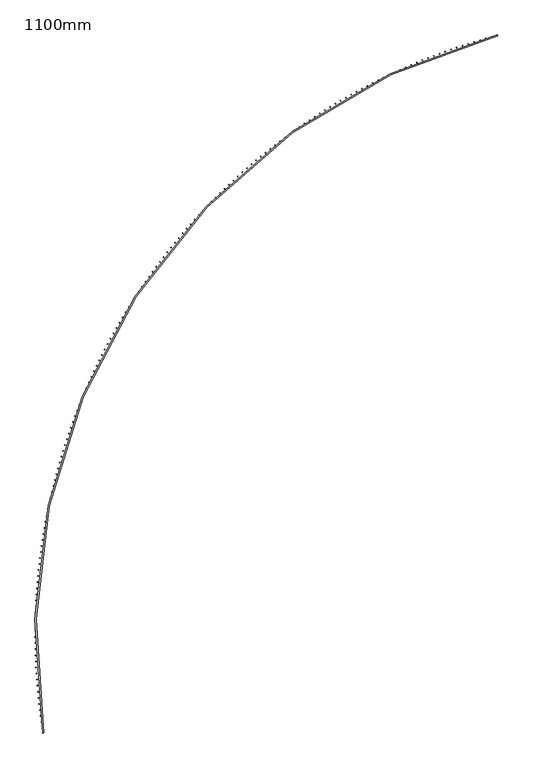
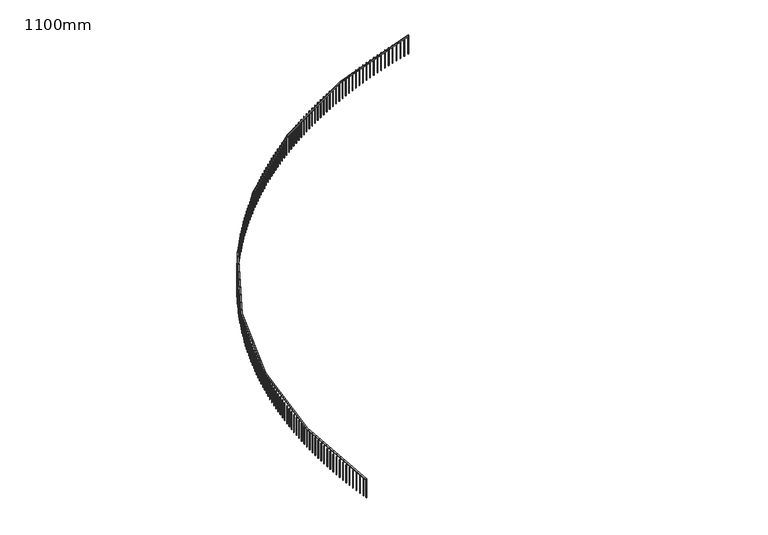
"""IFC4 building model written with IfcOpenShell, lengths in millimetres: railing geometry, 1100mm."""

from ifc_helpers import new_model, si_unit, point, frame, frame_2d, origin, place, context, project, spatial, polyline, circle_curve, trimmed, segment, composite_curve, outline, extrude, source, transform, mapped, element, save


def railing_1100mm_dd3d95b8(model_context):
    return source(origin(), model_context, "Body", "SweptSolid", [
        extrude(outline(composite_curve([segment(trimmed(circle_curve(frame_2d((-8776.2169486, -53857.0322819)), 27971.5412014), [point((-36394.0287338, -58291.3968787))], [point((-15853.428822, -26795.6171438))], False, "CARTESIAN"), True, "CONTINUOUS"), segment(polyline([(-15853.428822, -26795.6171438), (-15840.7780857, -26843.9902651)]), True, "CONTINUOUS"), segment(trimmed(circle_curve(frame_2d((-8776.2169486, -53857.0322819)), 27921.5412014), [point((-15840.7780857, -26843.9902651))], [point((-36344.6610361, -58283.4703141))], True, "CARTESIAN"), True, "CONTINUOUS"), segment(polyline([(-36344.6610361, -58283.4703141), (-36394.0287338, -58291.3968787)]), True, "CONTINUOUS")], self_intersect=False)), frame((0.0, 0.0, 11650.0), z_axis=(0.0, 0.0, 1.0), x_axis=(1.0, 0.0, 0.0)), (0.0, 0.0, 1.0), 50.0),
        extrude(outline(polyline([(-36418.1953524, -58055.742926), (-36393.4805423, -58051.9775357), (-36389.7151521, -58076.6923458), (-36414.4299622, -58080.4577361), (-36418.1953524, -58055.742926)])), frame((0.0, 0.0, 10600.0), z_axis=(0.0, 0.0, 1.0), x_axis=(1.0, 0.0, 0.0)), (0.0, 0.0, 1.0), 1050.0),
        extrude(outline(polyline([(-36458.1726315, -57783.5410007), (-36433.4219663, -57780.0189879), (-36429.8999535, -57804.7696531), (-36454.6506187, -57808.2916659), (-36458.1726315, -57783.5410007)])), frame((0.0, 0.0, 10600.0), z_axis=(0.0, 0.0, 1.0), x_axis=(1.0, 0.0, 0.0)), (0.0, 0.0, 1.0), 1050.0),
        extrude(outline(polyline([(-36495.4694926, -57510.9588753), (-36470.685369, -57507.6805809), (-36467.4070746, -57532.4647046), (-36492.1911983, -57535.7429989), (-36495.4694926, -57510.9588753)])), frame((0.0, 0.0, 10600.0), z_axis=(0.0, 0.0, 1.0), x_axis=(1.0, 0.0, 0.0)), (0.0, 0.0, 1.0), 1050.0),
        extrude(outline(polyline([(-36530.0823244, -57238.0229435), (-36505.267142, -57234.9886851), (-36502.2328836, -57259.8038674), (-36527.0480659, -57262.8381258), (-36530.0823244, -57238.0229435)])), frame((0.0, 0.0, 10600.0), z_axis=(0.0, 0.0, 1.0), x_axis=(1.0, 0.0, 0.0)), (0.0, 0.0, 1.0), 1050.0),
        extrude(outline(polyline([(-36562.0077752, -56964.7596335), (-36537.1639369, -56961.9697048), (-36534.3740082, -56986.8135431), (-36559.2178464, -56989.6034718), (-36562.0077752, -56964.7596335)])), frame((0.0, 0.0, 10600.0), z_axis=(0.0, 0.0, 1.0), x_axis=(1.0, 0.0, 0.0)), (0.0, 0.0, 1.0), 1050.0),
        extrude(outline(polyline([(-36591.2427537, -56691.1954053), (-36566.3726652, -56688.6500764), (-36563.8273364, -56713.5201649), (-36588.6974249, -56716.0654937), (-36591.2427537, -56691.1954053)])), frame((0.0, 0.0, 10600.0), z_axis=(0.0, 0.0, 1.0), x_axis=(1.0, 0.0, 0.0)), (0.0, 0.0, 1.0), 1050.0),
        extrude(outline(polyline([(-36617.7844292, -56417.3567476), (-36592.8904987, -56415.0562651), (-36590.5900161, -56439.9501957), (-36615.4839467, -56442.2506782), (-36617.7844292, -56417.3567476)])), frame((0.0, 0.0, 10600.0), z_axis=(0.0, 0.0, 1.0), x_axis=(1.0, 0.0, 0.0)), (0.0, 0.0, 1.0), 1050.0),
        extrude(outline(polyline([(-36641.6302317, -56143.2701761), (-36616.7148695, -56141.2147626), (-36614.659456, -56166.1301249), (-36639.5748183, -56168.1855383), (-36641.6302317, -56143.2701761)])), frame((0.0, 0.0, 10600.0), z_axis=(0.0, 0.0, 1.0), x_axis=(1.0, 0.0, 0.0)), (0.0, 0.0, 1.0), 1050.0),
        extrude(outline(polyline([(-36662.7778522, -55868.9622303), (-36637.8434709, -55867.152085), (-36636.0333255, -55892.0864663), (-36660.9677069, -55893.8966117), (-36662.7778522, -55868.9622303)])), frame((0.0, 0.0, 10600.0), z_axis=(0.0, 0.0, 1.0), x_axis=(1.0, 0.0, 0.0)), (0.0, 0.0, 1.0), 1050.0),
        extrude(outline(polyline([(-36681.225243, -55594.4594712), (-36656.2742569, -55592.8947693), (-36654.7095549, -55617.8457554), (-36679.660541, -55619.4104573), (-36681.225243, -55594.4594712)])), frame((0.0, 0.0, 10600.0), z_axis=(0.0, 0.0, 1.0), x_axis=(1.0, 0.0, 0.0)), (0.0, 0.0, 1.0), 1050.0),
        extrude(outline(polyline([(-36696.9706178, -55319.7884787), (-36672.005443, -55318.4693716), (-36670.6863359, -55343.4345465), (-36695.6515107, -55344.7536536), (-36696.9706178, -55319.7884787)])), frame((0.0, 0.0, 10600.0), z_axis=(0.0, 0.0, 1.0), x_axis=(1.0, 0.0, 0.0)), (0.0, 0.0, 1.0), 1050.0),
        extrude(outline(polyline([(-36710.0124521, -55044.9758488), (-36685.0355058, -55043.9024644), (-36683.9621213, -55068.8794106), (-36708.9390676, -55069.9527951), (-36710.0124521, -55044.9758488)])), frame((0.0, 0.0, 10600.0), z_axis=(0.0, 0.0, 1.0), x_axis=(1.0, 0.0, 0.0)), (0.0, 0.0, 1.0), 1050.0),
        extrude(outline(polyline([(-36720.349483, -54770.0481915), (-36695.3631838, -54769.2206336), (-36694.5356258, -54794.2069328), (-36719.521925, -54795.0344907), (-36720.349483, -54770.0481915)])), frame((0.0, 0.0, 10600.0), z_axis=(0.0, 0.0, 1.0), x_axis=(1.0, 0.0, 0.0)), (0.0, 0.0, 1.0), 1050.0),
        extrude(outline(polyline([(-36727.9807095, -54495.0321277), (-36702.9874768, -54494.4504765), (-36702.4058255, -54519.4437092), (-36727.3990583, -54520.0253604), (-36727.9807095, -54495.0321277)])), frame((0.0, 0.0, 10600.0), z_axis=(0.0, 0.0, 1.0), x_axis=(1.0, 0.0, 0.0)), (0.0, 0.0, 1.0), 1050.0),
        extrude(outline(polyline([(-36732.9053928, -54219.954287), (-36707.9076467, -54219.6185987), (-36707.5719584, -54244.6163449), (-36732.5697046, -54244.9520331), (-36732.9053928, -54219.954287)])), frame((0.0, 0.0, 10600.0), z_axis=(0.0, 0.0, 1.0), x_axis=(1.0, 0.0, 0.0)), (0.0, 0.0, 1.0), 1050.0),
        extrude(outline(polyline([(-36735.123056, -53944.8413048), (-36710.1232169, -53944.7516121), (-36710.0335242, -53969.7514512), (-36735.0333633, -53969.8411439), (-36735.123056, -53944.8413048)])), frame((0.0, 0.0, 10600.0), z_axis=(0.0, 0.0, 1.0), x_axis=(1.0, 0.0, 0.0)), (0.0, 0.0, 1.0), 1050.0),
        extrude(outline(polyline([(-36734.6334844, -53669.7198202), (-36709.6339731, -53669.8761317), (-36709.7902845, -53694.875643), (-36734.7897959, -53694.7193316), (-36734.6334844, -53669.7198202)])), frame((0.0, 0.0, 10600.0), z_axis=(0.0, 0.0, 1.0), x_axis=(1.0, 0.0, 0.0)), (0.0, 0.0, 1.0), 1050.0),
        extrude(outline(polyline([(-36731.4367254, -53394.6164729), (-36706.4399625, -53395.0187734), (-36706.842263, -53420.0155363), (-36731.8390259, -53419.6132358), (-36731.4367254, -53394.6164729)])), frame((0.0, 0.0, 10600.0), z_axis=(0.0, 0.0, 1.0), x_axis=(1.0, 0.0, 0.0)), (0.0, 0.0, 1.0), 1050.0),
        extrude(outline(polyline([(-36725.5330885, -53119.5579009), (-36700.5414945, -53120.2061515), (-36701.189745, -53145.1977455), (-36726.181339, -53144.5494949), (-36725.5330885, -53119.5579009)])), frame((0.0, 0.0, 10600.0), z_axis=(0.0, 0.0, 1.0), x_axis=(1.0, 0.0, 0.0)), (0.0, 0.0, 1.0), 1050.0),
        extrude(outline(polyline([(-36716.9231453, -52844.5707378), (-36691.9391401, -52845.4648758), (-36692.833278, -52870.448881), (-36717.8172832, -52869.5547431), (-36716.9231453, -52844.5707378)])), frame((0.0, 0.0, 10600.0), z_axis=(0.0, 0.0, 1.0), x_axis=(1.0, 0.0, 0.0)), (0.0, 0.0, 1.0), 1050.0),
        extrude(outline(polyline([(-36705.6077296, -52569.6816105), (-36680.6337323, -52570.8215491), (-36681.773671, -52595.7955464), (-36706.7476683, -52594.6556078), (-36705.6077296, -52569.6816105)])), frame((0.0, 0.0, 10600.0), z_axis=(0.0, 0.0, 1.0), x_axis=(1.0, 0.0, 0.0)), (0.0, 0.0, 1.0), 1050.0),
        extrude(outline(polyline([(-36691.587937, -52294.9171361), (-36666.6263659, -52296.3027651), (-36668.0119949, -52321.2643362), (-36692.973566, -52319.8787072), (-36691.587937, -52294.9171361)])), frame((0.0, 0.0, 10600.0), z_axis=(0.0, 0.0, 1.0), x_axis=(1.0, 0.0, 0.0)), (0.0, 0.0, 1.0), 1050.0),
        extrude(outline(polyline([(-36674.865125, -52020.3039199), (-36649.9183971, -52021.9351051), (-36651.5495823, -52046.881833), (-36676.4963103, -52045.2506478), (-36674.865125, -52020.3039199)])), frame((0.0, 0.0, 10600.0), z_axis=(0.0, 0.0, 1.0), x_axis=(1.0, 0.0, 0.0)), (0.0, 0.0, 1.0), 1050.0),
        extrude(outline(polyline([(-36655.440913, -51745.8685523), (-36630.5114438, -51747.7451358), (-36632.3880273, -51772.674605), (-36657.3174965, -51770.7980215), (-36655.440913, -51745.8685523)])), frame((0.0, 0.0, 10600.0), z_axis=(0.0, 0.0, 1.0), x_axis=(1.0, 0.0, 0.0)), (0.0, 0.0, 1.0), 1050.0),
        extrude(outline(polyline([(-36633.3171816, -51471.6376068), (-36608.4073851, -51473.7594068), (-36610.5291851, -51498.6692034), (-36635.4389817, -51496.5474034), (-36633.3171816, -51471.6376068)])), frame((0.0, 0.0, 10600.0), z_axis=(0.0, 0.0, 1.0), x_axis=(1.0, 0.0, 0.0)), (0.0, 0.0, 1.0), 1050.0),
        extrude(outline(polyline([(-36608.4960732, -51197.6376368), (-36583.6083613, -51200.004448), (-36585.9751724, -51224.8921599), (-36610.8628843, -51222.5253488), (-36608.4960732, -51197.6376368)])), frame((0.0, 0.0, 10600.0), z_axis=(0.0, 0.0, 1.0), x_axis=(1.0, 0.0, 0.0)), (0.0, 0.0, 1.0), 1050.0),
        extrude(outline(polyline([(-36580.9799912, -50923.8951736), (-36556.1167737, -50926.5067666), (-36558.7283668, -50951.3699841), (-36583.5915842, -50948.758391), (-36580.9799912, -50923.8951736)])), frame((0.0, 0.0, 10600.0), z_axis=(0.0, 0.0, 1.0), x_axis=(1.0, 0.0, 0.0)), (0.0, 0.0, 1.0), 1050.0),
        extrude(outline(polyline([(-36550.7715998, -50650.4367232), (-36525.9352843, -50653.2928453), (-36528.7914064, -50678.1291608), (-36553.6277219, -50675.2730387), (-36550.7715998, -50650.4367232)])), frame((0.0, 0.0, 10600.0), z_axis=(0.0, 0.0, 1.0), x_axis=(1.0, 0.0, 0.0)), (0.0, 0.0, 1.0), 1050.0),
        extrude(outline(polyline([(-36517.8738242, -50377.2887645), (-36493.0668155, -50380.3891391), (-36496.1671901, -50405.1961478), (-36520.9741988, -50402.0957732), (-36517.8738242, -50377.2887645)])), frame((0.0, 0.0, 10600.0), z_axis=(0.0, 0.0, 1.0), x_axis=(1.0, 0.0, 0.0)), (0.0, 0.0, 1.0), 1050.0),
        extrude(outline(polyline([(-36482.2898498, -50104.4777462), (-36457.51455, -50107.822073), (-36460.8588769, -50132.5973728), (-36485.6341766, -50129.2530459), (-36482.2898498, -50104.4777462)])), frame((0.0, 0.0, 10600.0), z_axis=(0.0, 0.0, 1.0), x_axis=(1.0, 0.0, 0.0)), (0.0, 0.0, 1.0), 1050.0),
        extrude(outline(polyline([(-36444.0231222, -49832.0300842), (-36419.2819303, -49835.6180395), (-36422.8698856, -49860.3592314), (-36447.6110775, -49856.7712761), (-36444.0231222, -49832.0300842)])), frame((0.0, 0.0, 10600.0), z_axis=(0.0, 0.0, 1.0), x_axis=(1.0, 0.0, 0.0)), (0.0, 0.0, 1.0), 1050.0),
        extrude(outline(polyline([(-36403.0773466, -49559.9721594), (-36378.3726583, -49563.8033957), (-36382.2038946, -49588.5080841), (-36406.908583, -49584.6768478), (-36403.0773466, -49559.9721594)])), frame((0.0, 0.0, 10600.0), z_axis=(0.0, 0.0, 1.0), x_axis=(1.0, 0.0, 0.0)), (0.0, 0.0, 1.0), 1050.0),
        extrude(outline(polyline([(-36359.456488, -49288.330315), (-36334.7906952, -49292.4044614), (-36338.8648416, -49317.0702541), (-36363.5306344, -49312.9961077), (-36359.456488, -49288.330315)])), frame((0.0, 0.0, 10600.0), z_axis=(0.0, 0.0, 1.0), x_axis=(1.0, 0.0, 0.0)), (0.0, 0.0, 1.0), 1050.0),
        extrude(outline(polyline([(-36313.1647699, -49017.1308537), (-36288.5402612, -49021.4475156), (-36292.8569232, -49046.0720243), (-36317.4814319, -49041.7553624), (-36313.1647699, -49017.1308537)])), frame((0.0, 0.0, 10600.0), z_axis=(0.0, 0.0, 1.0), x_axis=(1.0, 0.0, 0.0)), (0.0, 0.0, 1.0), 1050.0),
        extrude(outline(polyline([(-36264.2066749, -48746.4000355), (-36239.6258345, -48750.958795), (-36244.1845941, -48775.5396354), (-36268.7654344, -48770.9808758), (-36264.2066749, -48746.4000355)])), frame((0.0, 0.0, 10600.0), z_axis=(0.0, 0.0, 1.0), x_axis=(1.0, 0.0, 0.0)), (0.0, 0.0, 1.0), 1050.0),
        extrude(outline(polyline([(-36212.5869434, -48476.1640751), (-36188.0521516, -48480.9644908), (-36192.8525673, -48505.4992826), (-36217.3873591, -48500.6988669), (-36212.5869434, -48476.1640751)])), frame((0.0, 0.0, 10600.0), z_axis=(0.0, 0.0, 1.0), x_axis=(1.0, 0.0, 0.0)), (0.0, 0.0, 1.0), 1050.0),
        extrude(outline(polyline([(-36158.3105737, -48206.4491392), (-36133.8242061, -48211.4907462), (-36138.8658132, -48235.9771138), (-36163.3521808, -48230.9355068), (-36158.3105737, -48206.4491392)])), frame((0.0, 0.0, 10600.0), z_axis=(0.0, 0.0, 1.0), x_axis=(1.0, 0.0, 0.0)), (0.0, 0.0, 1.0), 1050.0),
        extrude(outline(polyline([(-36101.3828215, -47937.2813439), (-36076.9472491, -47942.5636541), (-36082.2295593, -47966.9992265), (-36106.6651317, -47961.7169163), (-36101.3828215, -47937.2813439)])), frame((0.0, 0.0, 10600.0), z_axis=(0.0, 0.0, 1.0), x_axis=(1.0, 0.0, 0.0)), (0.0, 0.0, 1.0), 1050.0),
        extrude(outline(polyline([(-36041.8091989, -47668.6867527), (-36017.4267878, -47674.2092546), (-36022.9492897, -47698.5916657), (-36047.3317008, -47693.0691638), (-36041.8091989, -47668.6867527)])), frame((0.0, 0.0, 10600.0), z_axis=(0.0, 0.0, 1.0), x_axis=(1.0, 0.0, 0.0)), (0.0, 0.0, 1.0), 1050.0),
        extrude(outline(polyline([(-35979.5954744, -47400.6913731), (-35955.2685855, -47406.453532), (-35961.0307443, -47430.7804209), (-35985.3576333, -47425.0182621), (-35979.5954744, -47400.6913731)])), frame((0.0, 0.0, 10600.0), z_axis=(0.0, 0.0, 1.0), x_axis=(1.0, 0.0, 0.0)), (0.0, 0.0, 1.0), 1050.0),
        extrude(outline(polyline([(-35914.7476721, -47133.3211551), (-35890.4786609, -47139.3224129), (-35896.4799188, -47163.5914241), (-35920.74893, -47157.5901662), (-35914.7476721, -47133.3211551)])), frame((0.0, 0.0, 10600.0), z_axis=(0.0, 0.0, 1.0), x_axis=(1.0, 0.0, 0.0)), (0.0, 0.0, 1.0), 1050.0),
        extrude(outline(polyline([(-35847.2720712, -46866.6019877), (-35823.0632877, -46872.8417634), (-35829.3030635, -46897.0505469), (-35853.511847, -46890.8107712), (-35847.2720712, -46866.6019877)])), frame((0.0, 0.0, 10600.0), z_axis=(0.0, 0.0, 1.0), x_axis=(1.0, 0.0, 0.0)), (0.0, 0.0, 1.0), 1050.0),
        extrude(outline(polyline([(-35777.1752052, -46600.5596971), (-35753.0289935, -46607.0373866), (-35759.506683, -46631.1835983), (-35783.6528947, -46624.7059088), (-35777.1752052, -46600.5596971)])), frame((0.0, 0.0, 10600.0), z_axis=(0.0, 0.0, 1.0), x_axis=(1.0, 0.0, 0.0)), (0.0, 0.0, 1.0), 1050.0),
        extrude(outline(polyline([(-35704.4638616, -46335.2200441), (-35680.3825598, -46341.9350201), (-35687.0975358, -46366.0163219), (-35711.1788376, -46359.3013459), (-35704.4638616, -46335.2200441)])), frame((0.0, 0.0, 10600.0), z_axis=(0.0, 0.0, 1.0), x_axis=(1.0, 0.0, 0.0)), (0.0, 0.0, 1.0), 1050.0),
        extrude(outline(polyline([(-35629.1450809, -46070.6087211), (-35605.1310208, -46077.5603334), (-35612.082633, -46101.5743936), (-35636.0966932, -46094.6227813), (-35629.1450809, -46070.6087211)])), frame((0.0, 0.0, 10600.0), z_axis=(0.0, 0.0, 1.0), x_axis=(1.0, 0.0, 0.0)), (0.0, 0.0, 1.0), 1050.0),
        extrude(outline(polyline([(-35551.2261563, -45806.7513503), (-35527.281663, -45813.9389257), (-35534.4692384, -45837.883419), (-35558.4137317, -45830.6958436), (-35551.2261563, -45806.7513503)])), frame((0.0, 0.0, 10600.0), z_axis=(0.0, 0.0, 1.0), x_axis=(1.0, 0.0, 0.0)), (0.0, 0.0, 1.0), 1050.0),
        extrude(outline(polyline([(-35470.7146324, -45543.6734806), (-35446.8420245, -45551.0963232), (-35454.2648671, -45574.9689311), (-35478.137475, -45567.5460885), (-35470.7146324, -45543.6734806)])), frame((0.0, 0.0, 10600.0), z_axis=(0.0, 0.0, 1.0), x_axis=(1.0, 0.0, 0.0)), (0.0, 0.0, 1.0), 1050.0),
        extrude(outline(polyline([(-35387.6183052, -45281.4005858), (-35363.8198943, -45289.0579768), (-35371.4772853, -45312.8563878), (-35395.2756963, -45305.1989967), (-35387.6183052, -45281.4005858)])), frame((0.0, 0.0, 10600.0), z_axis=(0.0, 0.0, 1.0), x_axis=(1.0, 0.0, 0.0)), (0.0, 0.0, 1.0), 1050.0),
        extrude(outline(polyline([(-35301.9452208, -45019.9580614), (-35278.2233112, -45027.8492594), (-35286.1145093, -45051.571169), (-35309.8364188, -45043.6799709), (-35301.9452208, -45019.9580614)])), frame((0.0, 0.0, 10600.0), z_axis=(0.0, 0.0, 1.0), x_axis=(1.0, 0.0, 0.0)), (0.0, 0.0, 1.0), 1050.0),
        extrude(outline(polyline([(-35213.7036748, -44759.3712226), (-35190.0605636, -44767.4954635), (-35198.1848045, -44791.1385748), (-35221.8279158, -44783.0143338), (-35213.7036748, -44759.3712226)])), frame((0.0, 0.0, 10600.0), z_axis=(0.0, 0.0, 1.0), x_axis=(1.0, 0.0, 0.0)), (0.0, 0.0, 1.0), 1050.0),
        extrude(outline(polyline([(-35122.9022117, -44499.6653019), (-35099.3401881, -44508.0217991), (-35107.6966853, -44531.5838226), (-35131.2587088, -44523.2273254), (-35122.9022117, -44499.6653019)])), frame((0.0, 0.0, 10600.0), z_axis=(0.0, 0.0, 1.0), x_axis=(1.0, 0.0, 0.0)), (0.0, 0.0, 1.0), 1050.0),
        extrude(outline(polyline([(-35029.5496235, -44240.8654463), (-35006.0709691, -44249.4533906), (-35014.6589133, -44272.932045), (-35038.1375678, -44264.3441007), (-35029.5496235, -44240.8654463)])), frame((0.0, 0.0, 10600.0), z_axis=(0.0, 0.0, 1.0), x_axis=(1.0, 0.0, 0.0)), (0.0, 0.0, 1.0), 1050.0),
        extrude(outline(polyline([(-34933.6549496, -43982.9967152), (-34910.2619378, -43991.815275), (-34919.0804975, -44015.2082868), (-34942.4735094, -44006.389727), (-34933.6549496, -43982.9967152)])), frame((0.0, 0.0, 10600.0), z_axis=(0.0, 0.0, 1.0), x_axis=(1.0, 0.0, 0.0)), (0.0, 0.0, 1.0), 1050.0),
        extrude(outline(polyline([(-34835.2274753, -43726.0840777), (-34811.9223712, -43735.1323991), (-34820.9706926, -43758.4375033), (-34844.2757968, -43749.3891819), (-34835.2274753, -43726.0840777)])), frame((0.0, 0.0, 10600.0), z_axis=(0.0, 0.0, 1.0), x_axis=(1.0, 0.0, 0.0)), (0.0, 0.0, 1.0), 1050.0),
        extrude(outline(polyline([(-34734.2767314, -43470.1524105), (-34711.0617915, -43479.4296174), (-34720.3389984, -43502.6445573), (-34743.5539383, -43493.3673504), (-34734.2767314, -43470.1524105)])), frame((0.0, 0.0, 10600.0), z_axis=(0.0, 0.0, 1.0), x_axis=(1.0, 0.0, 0.0)), (0.0, 0.0, 1.0), 1050.0),
        extrude(outline(polyline([(-34630.8124927, -43215.2264953), (-34607.689965, -43224.7316893), (-34617.1951591, -43247.854217), (-34640.3176868, -43238.3490229), (-34630.8124927, -43215.2264953)])), frame((0.0, 0.0, 10600.0), z_axis=(0.0, 0.0, 1.0), x_axis=(1.0, 0.0, 0.0)), (0.0, 0.0, 1.0), 1050.0),
        extrude(outline(polyline([(-34524.8447776, -42961.3310161), (-34501.8169011, -42971.063277), (-34511.5491619, -42994.0911535), (-34534.5770385, -42984.3588927), (-34524.8447776, -42961.3310161)])), frame((0.0, 0.0, 10600.0), z_axis=(0.0, 0.0, 1.0), x_axis=(1.0, 0.0, 0.0)), (0.0, 0.0, 1.0), 1050.0),
        extrude(outline(polyline([(-34416.3838469, -42708.4905576), (-34393.4528512, -42718.4489429), (-34403.4112365, -42741.3799386), (-34426.3422322, -42731.4215532), (-34416.3838469, -42708.4905576)])), frame((0.0, 0.0, 10600.0), z_axis=(0.0, 0.0, 1.0), x_axis=(1.0, 0.0, 0.0)), (0.0, 0.0, 1.0), 1050.0),
        extrude(outline(polyline([(-34305.4402026, -42456.729602), (-34282.6083083, -42466.9131475), (-34292.7918538, -42489.7450418), (-34315.6237481, -42479.5614963), (-34305.4402026, -42456.729602)])), frame((0.0, 0.0, 10600.0), z_axis=(0.0, 0.0, 1.0), x_axis=(1.0, 0.0, 0.0)), (0.0, 0.0, 1.0), 1050.0),
        extrude(outline(polyline([(-34192.0245875, -42206.072527), (-34169.2940052, -42216.4802466), (-34179.7017248, -42239.2108289), (-34202.4323071, -42228.8031093), (-34192.0245875, -42206.072527)])), frame((0.0, 0.0, 10600.0), z_axis=(0.0, 0.0, 1.0), x_axis=(1.0, 0.0, 0.0)), (0.0, 0.0, 1.0), 1050.0),
        extrude(outline(polyline([(-34076.1479834, -41956.5436036), (-34053.5209142, -41967.1744896), (-34064.1518001, -41989.8015589), (-34086.7788694, -41979.1706729), (-34076.1479834, -41956.5436036)])), frame((0.0, 0.0, 10600.0), z_axis=(0.0, 0.0, 1.0), x_axis=(1.0, 0.0, 0.0)), (0.0, 0.0, 1.0), 1050.0),
        extrude(outline(polyline([(-33957.8216106, -41708.1669935), (-33935.3002453, -41719.0200164), (-33946.1532683, -41741.5413817), (-33968.6746335, -41730.6883588), (-33957.8216106, -41708.1669935)])), frame((0.0, 0.0, 10600.0), z_axis=(0.0, 0.0, 1.0), x_axis=(1.0, 0.0, 0.0)), (0.0, 0.0, 1.0), 1050.0),
        extrude(outline(polyline([(-33837.0569265, -41460.9667467), (-33814.6434459, -41472.0408557), (-33825.7175549, -41494.4543362), (-33848.1310355, -41483.3802272), (-33837.0569265, -41460.9667467)])), frame((0.0, 0.0, 10600.0), z_axis=(0.0, 0.0, 1.0), x_axis=(1.0, 0.0, 0.0)), (0.0, 0.0, 1.0), 1050.0),
        extrude(outline(polyline([(-33713.8656245, -41214.9667993), (-33691.562199, -41226.2609221), (-33702.8563218, -41248.5643476), (-33725.1597473, -41237.2702249), (-33713.8656245, -41214.9667993)])), frame((0.0, 0.0, 10600.0), z_axis=(0.0, 0.0, 1.0), x_axis=(1.0, 0.0, 0.0)), (0.0, 0.0, 1.0), 1050.0),
        extrude(outline(polyline([(-33588.2596333, -40970.1909714), (-33566.0684224, -40981.7040144), (-33577.5814654, -41003.8952253), (-33599.7726763, -40992.3821823), (-33588.2596333, -40970.1909714)])), frame((0.0, 0.0, 10600.0), z_axis=(0.0, 0.0, 1.0), x_axis=(1.0, 0.0, 0.0)), (0.0, 0.0, 1.0), 1050.0),
        extrude(outline(polyline([(-33460.2511151, -40726.6629643), (-33438.1742676, -40738.3938127), (-33449.9051159, -40760.4706602), (-33471.9819634, -40748.7398118), (-33460.2511151, -40726.6629643)])), frame((0.0, 0.0, 10600.0), z_axis=(0.0, 0.0, 1.0), x_axis=(1.0, 0.0, 0.0)), (0.0, 0.0, 1.0), 1050.0),
        extrude(outline(polyline([(-33329.8524649, -40484.4063586), (-33307.8921184, -40496.3538765), (-33319.8396362, -40518.314223), (-33341.7999827, -40506.3667051), (-33329.8524649, -40484.4063586)])), frame((0.0, 0.0, 10600.0), z_axis=(0.0, 0.0, 1.0), x_axis=(1.0, 0.0, 0.0)), (0.0, 0.0, 1.0), 1050.0),
        extrude(outline(polyline([(-33197.076309, -40243.4446119), (-33175.23459, -40255.6076424), (-33187.3976205, -40277.4493614), (-33209.2393395, -40265.2863309), (-33197.076309, -40243.4446119)])), frame((0.0, 0.0, 10600.0), z_axis=(0.0, 0.0, 1.0), x_axis=(1.0, 0.0, 0.0)), (0.0, 0.0, 1.0), 1050.0),
        extrude(outline(polyline([(-33061.9355041, -40003.8010561), (-33040.2145274, -40016.1784215), (-33052.5918928, -40037.8993982), (-33074.3128694, -40025.5220328), (-33061.9355041, -40003.8010561)])), frame((0.0, 0.0, 10600.0), z_axis=(0.0, 0.0, 1.0), x_axis=(1.0, 0.0, 0.0)), (0.0, 0.0, 1.0), 1050.0),
        extrude(outline(polyline([(-32924.4431356, -39765.4988959), (-32902.8450046, -39778.0893976), (-32915.4355063, -39799.6875287), (-32937.0336374, -39787.0970269), (-32924.4431356, -39765.4988959)])), frame((0.0, 0.0, 10600.0), z_axis=(0.0, 0.0, 1.0), x_axis=(1.0, 0.0, 0.0)), (0.0, 0.0, 1.0), 1050.0),
        extrude(outline(polyline([(-32784.6125169, -39528.5612056), (-32763.1393228, -39541.3636247), (-32775.9417419, -39562.8368188), (-32797.414936, -39550.0343998), (-32784.6125169, -39528.5612056)])), frame((0.0, 0.0, 10600.0), z_axis=(0.0, 0.0, 1.0), x_axis=(1.0, 0.0, 0.0)), (0.0, 0.0, 1.0), 1050.0),
        extrude(outline(polyline([(-32642.4571877, -39293.0109279), (-32621.1110097, -39306.0240246), (-32634.1241064, -39327.3702026), (-32655.4702844, -39314.3571059), (-32642.4571877, -39293.0109279)])), frame((0.0, 0.0, 10600.0), z_axis=(0.0, 0.0, 1.0), x_axis=(1.0, 0.0, 0.0)), (0.0, 0.0, 1.0), 1050.0),
        extrude(outline(polyline([(-32497.9909126, -39058.8708708), (-32476.7738177, -39072.0933851), (-32489.996332, -39093.31048), (-32511.2134269, -39080.0879657), (-32497.9909126, -39058.8708708)])), frame((0.0, 0.0, 10600.0), z_axis=(0.0, 0.0, 1.0), x_axis=(1.0, 0.0, 0.0)), (0.0, 0.0, 1.0), 1050.0),
        extrude(outline(polyline([(-32351.2276803, -38826.1637059), (-32330.1417229, -38839.5943574), (-32343.5723745, -38860.6803148), (-32364.6583318, -38847.2496633), (-32351.2276803, -38826.1637059)])), frame((0.0, 0.0, 10600.0), z_axis=(0.0, 0.0, 1.0), x_axis=(1.0, 0.0, 0.0)), (0.0, 0.0, 1.0), 1050.0),
        extrude(outline(polyline([(-32202.1817017, -38594.911966), (-32181.2289235, -38608.5494543), (-32194.8664118, -38629.5022324), (-32215.81919, -38615.8647441), (-32202.1817017, -38594.911966)])), frame((0.0, 0.0, 10600.0), z_axis=(0.0, 0.0, 1.0), x_axis=(1.0, 0.0, 0.0)), (0.0, 0.0, 1.0), 1050.0),
        extrude(outline(polyline([(-32050.8674087, -38365.1380429), (-32030.0498386, -38378.9810475), (-32043.8928432, -38399.7986176), (-32064.7104133, -38385.955613), (-32050.8674087, -38365.1380429)])), frame((0.0, 0.0, 10600.0), z_axis=(0.0, 0.0, 1.0), x_axis=(1.0, 0.0, 0.0)), (0.0, 0.0, 1.0), 1050.0),
        extrude(outline(polyline([(-31897.2994529, -38136.8641856), (-31876.6191067, -38150.9113661), (-31890.6662872, -38171.5917123), (-31911.3466334, -38157.5445318), (-31897.2994529, -38136.8641856)])), frame((0.0, 0.0, 10600.0), z_axis=(0.0, 0.0, 1.0), x_axis=(1.0, 0.0, 0.0)), (0.0, 0.0, 1.0), 1050.0),
        extrude(outline(polyline([(-31741.4927044, -37910.1124975), (-31720.9515844, -37924.3624937), (-31735.2015806, -37944.9036136), (-31755.7427005, -37930.6536174), (-31741.4927044, -37910.1124975)])), frame((0.0, 0.0, 10600.0), z_axis=(0.0, 0.0, 1.0), x_axis=(1.0, 0.0, 0.0)), (0.0, 0.0, 1.0), 1050.0),
        extrude(outline(polyline([(-31583.4622495, -37684.9049347), (-31563.0623448, -37699.3563668), (-31577.5137769, -37719.7562715), (-31597.9136816, -37705.3048394), (-31583.4622495, -37684.9049347)])), frame((0.0, 0.0, 10600.0), z_axis=(0.0, 0.0, 1.0), x_axis=(1.0, 0.0, 0.0)), (0.0, 0.0, 1.0), 1050.0),
        extrude(outline(polyline([(-31423.2233904, -37461.263304), (-31402.9666763, -37475.9147727), (-31417.6181449, -37496.1714868), (-31437.874859, -37481.5200181), (-31423.2233904, -37461.263304)])), frame((0.0, 0.0, 10600.0), z_axis=(0.0, 0.0, 1.0), x_axis=(1.0, 0.0, 0.0)), (0.0, 0.0, 1.0), 1050.0),
        extrude(outline(polyline([(-31260.7916427, -37239.2092603), (-31240.6800806, -37254.0593469), (-31255.5301671, -37274.170909), (-31275.6417292, -37259.3208224), (-31260.7916427, -37239.2092603)])), frame((0.0, 0.0, 10600.0), z_axis=(0.0, 0.0, 1.0), x_axis=(1.0, 0.0, 0.0)), (0.0, 0.0, 1.0), 1050.0),
        extrude(outline(polyline([(-31096.1827346, -37018.764305), (-31076.2182719, -37033.8115715), (-31091.2655383, -37053.7760342), (-31111.2300011, -37038.7287677), (-31096.1827346, -37018.764305)])), frame((0.0, 0.0, 10600.0), z_axis=(0.0, 0.0, 1.0), x_axis=(1.0, 0.0, 0.0)), (0.0, 0.0, 1.0), 1050.0),
        extrude(outline(polyline([(-30929.412605, -36799.9497834), (-30909.5971748, -36815.1927729), (-30924.8401642, -36835.008203), (-30944.6555944, -36819.7652136), (-30929.412605, -36799.9497834)])), frame((0.0, 0.0, 10600.0), z_axis=(0.0, 0.0, 1.0), x_axis=(1.0, 0.0, 0.0)), (0.0, 0.0, 1.0), 1050.0),
        extrude(outline(polyline([(-30760.4974021, -36582.7868833), (-30740.8329231, -36598.2241197), (-30756.2701596, -36617.8885986), (-30775.9346385, -36602.4513622), (-30760.4974021, -36582.7868833)])), frame((0.0, 0.0, 10600.0), z_axis=(0.0, 0.0, 1.0), x_axis=(1.0, 0.0, 0.0)), (0.0, 0.0, 1.0), 1050.0),
        extrude(outline(polyline([(-30589.4534818, -36367.2966322), (-30569.9418582, -36382.9266208), (-30585.5718468, -36402.4382444), (-30605.0834704, -36386.8082558), (-30589.4534818, -36367.2966322)])), frame((0.0, 0.0, 10600.0), z_axis=(0.0, 0.0, 1.0), x_axis=(1.0, 0.0, 0.0)), (0.0, 0.0, 1.0), 1050.0),
        extrude(outline(polyline([(-30416.2974061, -36153.499896), (-30396.9405272, -36169.3211234), (-30412.7617546, -36188.6780023), (-30432.1186335, -36172.8567749), (-30416.2974061, -36153.499896)])), frame((0.0, 0.0, 10600.0), z_axis=(0.0, 0.0, 1.0), x_axis=(1.0, 0.0, 0.0)), (0.0, 0.0, 1.0), 1050.0),
        extrude(outline(polyline([(-30241.0459417, -35941.4173762), (-30221.8456816, -35957.4283105), (-30237.8566158, -35976.6285705), (-30257.0568759, -35960.6176363), (-30241.0459417, -35941.4173762)])), frame((0.0, 0.0, 10600.0), z_axis=(0.0, 0.0, 1.0), x_axis=(1.0, 0.0, 0.0)), (0.0, 0.0, 1.0), 1050.0),
        extrude(outline(polyline([(-30063.7160578, -35731.0696088), (-30044.6742758, -35747.2686995), (-30060.8733665, -35766.3104815), (-30079.9151485, -35750.1113908), (-30063.7160578, -35731.0696088)])), frame((0.0, 0.0, 10600.0), z_axis=(0.0, 0.0, 1.0), x_axis=(1.0, 0.0, 0.0)), (0.0, 0.0, 1.0), 1050.0),
        extrude(outline(polyline([(-29884.3249252, -35522.4769615), (-29865.4434651, -35538.8626402), (-29881.8291438, -35557.7441002), (-29900.7106039, -35541.3584216), (-29884.3249252, -35522.4769615)])), frame((0.0, 0.0, 10600.0), z_axis=(0.0, 0.0, 1.0), x_axis=(1.0, 0.0, 0.0)), (0.0, 0.0, 1.0), 1050.0),
        extrude(outline(polyline([(-29702.8899142, -35315.6596321), (-29684.1706043, -35332.2303121), (-29700.7412843, -35350.949622), (-29719.4605942, -35334.378942), (-29702.8899142, -35315.6596321)])), frame((0.0, 0.0, 10600.0), z_axis=(0.0, 0.0, 1.0), x_axis=(1.0, 0.0, 0.0)), (0.0, 0.0, 1.0), 1050.0),
        extrude(outline(polyline([(-29519.428593, -35110.6376465), (-29500.8732457, -35127.3917233), (-29517.6273226, -35145.9470705), (-29536.1826698, -35129.1929937), (-29519.428593, -35110.6376465)])), frame((0.0, 0.0, 10600.0), z_axis=(0.0, 0.0, 1.0), x_axis=(1.0, 0.0, 0.0)), (0.0, 0.0, 1.0), 1050.0),
        extrude(outline(polyline([(-29333.9587258, -34907.4308568), (-29315.5691381, -34924.3667082), (-29332.5049894, -34942.756296), (-29350.8945772, -34925.8204446), (-29333.9587258, -34907.4308568)])), frame((0.0, 0.0, 10600.0), z_axis=(0.0, 0.0, 1.0), x_axis=(1.0, 0.0, 0.0)), (0.0, 0.0, 1.0), 1050.0),
        extrude(outline(polyline([(-29146.4982718, -34706.0589394), (-29128.276224, -34723.1749254), (-29145.39221, -34741.3969731), (-29163.6142578, -34724.2809871), (-29146.4982718, -34706.0589394)])), frame((0.0, 0.0, 10600.0), z_axis=(0.0, 0.0, 1.0), x_axis=(1.0, 0.0, 0.0)), (0.0, 0.0, 1.0), 1050.0),
        extrude(outline(polyline([(-28957.0653823, -34506.5413929), (-28939.0126391, -34523.8358562), (-28956.3071024, -34541.8885995), (-28974.3598456, -34524.5941361), (-28957.0653823, -34506.5413929)])), frame((0.0, 0.0, 10600.0), z_axis=(0.0, 0.0, 1.0), x_axis=(1.0, 0.0, 0.0)), (0.0, 0.0, 1.0), 1050.0),
        extrude(outline(polyline([(-28765.6784001, -34308.8975364), (-28747.7967094, -34326.3688025), (-28765.2679755, -34344.2504932), (-28783.1496662, -34326.7792271), (-28765.6784001, -34308.8975364)])), frame((0.0, 0.0, 10600.0), z_axis=(0.0, 0.0, 1.0), x_axis=(1.0, 0.0, 0.0)), (0.0, 0.0, 1.0), 1050.0),
        extrude(outline(polyline([(-28572.355857, -34113.1465076), (-28554.6469503, -34130.7928846), (-28572.2933273, -34148.5017913), (-28590.002234, -34130.8554143), (-28572.355857, -34113.1465076)])), frame((0.0, 0.0, 10600.0), z_axis=(0.0, 0.0, 1.0), x_axis=(1.0, 0.0, 0.0)), (0.0, 0.0, 1.0), 1050.0),
        extrude(outline(polyline([(-28377.1164722, -33919.3072608), (-28359.5820642, -33937.1270402), (-28377.4018435, -33954.6614482), (-28394.9362515, -33936.8416688), (-28377.1164722, -33919.3072608)])), frame((0.0, 0.0, 10600.0), z_axis=(0.0, 0.0, 1.0), x_axis=(1.0, 0.0, 0.0)), (0.0, 0.0, 1.0), 1050.0),
        extrude(outline(polyline([(-28179.9791505, -33727.3985654), (-28162.6209391, -33745.3900216), (-28180.6123953, -33762.748233), (-28197.9706067, -33744.7567768), (-28179.9791505, -33727.3985654)])), frame((0.0, 0.0, 10600.0), z_axis=(0.0, 0.0, 1.0), x_axis=(1.0, 0.0, 0.0)), (0.0, 0.0, 1.0), 1050.0),
        extrude(outline(polyline([(-27980.9629806, -33537.4390036), (-27963.7826466, -33555.6003946), (-27981.9440375, -33572.7807286), (-27999.1243716, -33554.6193377), (-27980.9629806, -33537.4390036)])), frame((0.0, 0.0, 10600.0), z_axis=(0.0, 0.0, 1.0), x_axis=(1.0, 0.0, 0.0)), (0.0, 0.0, 1.0), 1050.0),
        extrude(outline(polyline([(-27780.0872331, -33349.4469692), (-27763.0864399, -33367.7765363), (-27781.4160071, -33384.7773295), (-27798.4168002, -33366.4477623), (-27780.0872331, -33349.4469692)])), frame((0.0, 0.0, 10600.0), z_axis=(0.0, 0.0, 1.0), x_axis=(1.0, 0.0, 0.0)), (0.0, 0.0, 1.0), 1050.0),
        extrude(outline(polyline([(-27577.3713585, -33163.4406651), (-27560.5517524, -33181.9366336), (-27579.0477209, -33198.7562397), (-27595.867327, -33180.2602712), (-27577.3713585, -33163.4406651)])), frame((0.0, 0.0, 10600.0), z_axis=(0.0, 0.0, 1.0), x_axis=(1.0, 0.0, 0.0)), (0.0, 0.0, 1.0), 1050.0),
        extrude(outline(polyline([(-27372.8349857, -32979.4381022), (-27356.1981953, -32998.0986811), (-27374.8587742, -33014.7354715), (-27391.4955646, -32996.0748926), (-27372.8349857, -32979.4381022)])), frame((0.0, 0.0, 10600.0), z_axis=(0.0, 0.0, 1.0), x_axis=(1.0, 0.0, 0.0)), (0.0, 0.0, 1.0), 1050.0),
        extrude(outline(polyline([(-27166.4979196, -32797.4570973), (-27150.0455558, -32816.2804797), (-27168.8689383, -32832.7328435), (-27185.321302, -32813.9094611), (-27166.4979196, -32797.4570973)])), frame((0.0, 0.0, 10600.0), z_axis=(0.0, 0.0, 1.0), x_axis=(1.0, 0.0, 0.0)), (0.0, 0.0, 1.0), 1050.0),
        extrude(outline(polyline([(-26958.3801398, -32617.5152714), (-26942.1137957, -32636.4996347), (-26961.098159, -32652.7659788), (-26977.3645031, -32633.7816155), (-26958.3801398, -32617.5152714)])), frame((0.0, 0.0, 10600.0), z_axis=(0.0, 0.0, 1.0), x_axis=(1.0, 0.0, 0.0)), (0.0, 0.0, 1.0), 1050.0),
        extrude(outline(polyline([(-26748.5017981, -32439.6300482), (-26732.4230487, -32458.7735542), (-26751.5665547, -32474.8523035), (-26767.645304, -32455.7087975), (-26748.5017981, -32439.6300482)])), frame((0.0, 0.0, 10600.0), z_axis=(0.0, 0.0, 1.0), x_axis=(1.0, 0.0, 0.0)), (0.0, 0.0, 1.0), 1050.0),
        extrude(outline(polyline([(-26536.8832167, -32263.8186521), (-26520.993619, -32283.119447), (-26540.294414, -32299.0090447), (-26556.1840116, -32279.7082498), (-26536.8832167, -32263.8186521)])), frame((0.0, 0.0, 10600.0), z_axis=(0.0, 0.0, 1.0), x_axis=(1.0, 0.0, 0.0)), (0.0, 0.0, 1.0), 1050.0),
        extrude(outline(polyline([(-26323.5448866, -32090.0981067), (-26307.8459791, -32109.5543218), (-26327.3021942, -32125.2532293), (-26343.0011017, -32105.7970142), (-26323.5448866, -32090.0981067)])), frame((0.0, 0.0, 10600.0), z_axis=(0.0, 0.0, 1.0), x_axis=(1.0, 0.0, 0.0)), (0.0, 0.0, 1.0), 1050.0),
        extrude(outline(polyline([(-26108.5074651, -31918.4852333), (-26093.0007679, -31938.0949846), (-26112.6105192, -31953.6016817), (-26128.1172163, -31933.9919305), (-26108.5074651, -31918.4852333)])), frame((0.0, 0.0, 10600.0), z_axis=(0.0, 0.0, 1.0), x_axis=(1.0, 0.0, 0.0)), (0.0, 0.0, 1.0), 1050.0),
        extrude(outline(polyline([(-25891.791774, -31748.996649), (-25876.4787887, -31768.7580376), (-25896.2401773, -31784.071023), (-25911.5531626, -31764.3096344), (-25891.791774, -31748.996649)])), frame((0.0, 0.0, 10600.0), z_axis=(0.0, 0.0, 1.0), x_axis=(1.0, 0.0, 0.0)), (0.0, 0.0, 1.0), 1050.0),
        extrude(outline(polyline([(-25673.4187978, -31581.6487652), (-25658.301007, -31601.5598777), (-25678.2121196, -31616.6776685), (-25693.3299103, -31596.766556), (-25673.4187978, -31581.6487652)])), frame((0.0, 0.0, 10600.0), z_axis=(0.0, 0.0, 1.0), x_axis=(1.0, 0.0, 0.0)), (0.0, 0.0, 1.0), 1050.0),
        extrude(outline(polyline([(-25453.4096813, -31416.457786), (-25438.4885489, -31436.5166944), (-25458.5474574, -31451.4378268), (-25473.4685897, -31431.3789183), (-25453.4096813, -31416.457786)])), frame((0.0, 0.0, 10600.0), z_axis=(0.0, 0.0, 1.0), x_axis=(1.0, 0.0, 0.0)), (0.0, 0.0, 1.0), 1050.0),
        extrude(outline(polyline([(-25231.7857277, -31253.4397067), (-25217.0626985, -31273.6444688), (-25237.2674606, -31288.367498), (-25251.9904898, -31268.1627359), (-25231.7857277, -31253.4397067)])), frame((0.0, 0.0, 10600.0), z_axis=(0.0, 0.0, 1.0), x_axis=(1.0, 0.0, 0.0)), (0.0, 0.0, 1.0), 1050.0),
        extrude(outline(polyline([(-25008.5683967, -31092.6103122), (-24994.0448964, -31112.9589716), (-25014.3935558, -31127.4824719), (-25028.9170561, -31107.1338126), (-25008.5683967, -31092.6103122)])), frame((0.0, 0.0, 10600.0), z_axis=(0.0, 0.0, 1.0), x_axis=(1.0, 0.0, 0.0)), (0.0, 0.0, 1.0), 1050.0),
        extrude(outline(polyline([(-24783.7793023, -30933.9851755), (-24769.4567371, -30954.4757618), (-24789.9473233, -30968.798327), (-24804.2698886, -30948.3077407), (-24783.7793023, -30933.9851755)])), frame((0.0, 0.0, 10600.0), z_axis=(0.0, 0.0, 1.0), x_axis=(1.0, 0.0, 0.0)), (0.0, 0.0, 1.0), 1050.0),
        extrude(outline(polyline([(-24557.4402105, -30777.5796561), (-24543.3199673, -30798.2101852), (-24563.9504963, -30812.3304284), (-24578.0707396, -30791.6998994), (-24557.4402105, -30777.5796561)])), frame((0.0, 0.0, 10600.0), z_axis=(0.0, 0.0, 1.0), x_axis=(1.0, 0.0, 0.0)), (0.0, 0.0, 1.0), 1050.0),
        extrude(outline(polyline([(-24329.5730376, -30623.4088986), (-24315.6564835, -30644.1773728), (-24336.4249578, -30658.0939269), (-24350.3415119, -30637.3254526), (-24329.5730376, -30623.4088986)])), frame((0.0, 0.0, 10600.0), z_axis=(0.0, 0.0, 1.0), x_axis=(1.0, 0.0, 0.0)), (0.0, 0.0, 1.0), 1050.0),
        extrude(outline(polyline([(-24100.1998477, -30471.4878312), (-24086.4883304, -30492.3922396), (-24107.3927388, -30506.1037569), (-24121.1042562, -30485.1993485), (-24100.1998477, -30471.4878312)])), frame((0.0, 0.0, 10600.0), z_axis=(0.0, 0.0, 1.0), x_axis=(1.0, 0.0, 0.0)), (0.0, 0.0, 1.0), 1050.0),
        extrude(outline(polyline([(-23869.3428508, -30321.8311642), (-23855.8376979, -30342.8694827), (-23876.8760164, -30356.3746356), (-23890.3811693, -30335.3363171), (-23869.3428508, -30321.8311642)])), frame((0.0, 0.0, 10600.0), z_axis=(0.0, 0.0, 1.0), x_axis=(1.0, 0.0, 0.0)), (0.0, 0.0, 1.0), 1050.0),
        extrude(outline(polyline([(-23637.0244006, -30174.4533889), (-23623.7269198, -30195.6235803), (-23644.8971112, -30208.9210611), (-23658.194592, -30187.7508697), (-23637.0244006, -30174.4533889)])), frame((0.0, 0.0, 10600.0), z_axis=(0.0, 0.0, 1.0), x_axis=(1.0, 0.0, 0.0)), (0.0, 0.0, 1.0), 1050.0),
        extrude(outline(polyline([(-23403.2669923, -30029.3687756), (-23390.1784711, -30050.66879), (-23411.4784856, -30063.7573111), (-23424.5670067, -30042.4572967), (-23403.2669923, -30029.3687756)])), frame((0.0, 0.0, 10600.0), z_axis=(0.0, 0.0, 1.0), x_axis=(1.0, 0.0, 0.0)), (0.0, 0.0, 1.0), 1050.0),
        extrude(outline(polyline([(-23168.0932603, -29886.5913728), (-23155.2149662, -29908.0191478), (-23176.6427412, -29920.8974418), (-23189.5210353, -29899.4696668), (-23168.0932603, -29886.5913728)])), frame((0.0, 0.0, 10600.0), z_axis=(0.0, 0.0, 1.0), x_axis=(1.0, 0.0, 0.0)), (0.0, 0.0, 1.0), 1050.0),
        extrude(outline(polyline([(-22931.5259763, -29746.1350054), (-22918.8591563, -29767.6884661), (-22940.412617, -29780.3552862), (-22953.0794371, -29758.8018254), (-22931.5259763, -29746.1350054)])), frame((0.0, 0.0, 10600.0), z_axis=(0.0, 0.0, 1.0), x_axis=(1.0, 0.0, 0.0)), (0.0, 0.0, 1.0), 1050.0),
        extrude(outline(polyline([(-22693.588047, -29608.0132737), (-22681.1339275, -29629.6903332), (-22702.810987, -29642.1444527), (-22715.2651065, -29620.4673932), (-22693.588047, -29608.0132737)])), frame((0.0, 0.0, 10600.0), z_axis=(0.0, 0.0, 1.0), x_axis=(1.0, 0.0, 0.0)), (0.0, 0.0, 1.0), 1050.0),
        extrude(outline(polyline([(-22454.3025116, -29472.239552), (-22442.0622986, -29494.0381112), (-22463.8608578, -29506.2783243), (-22476.1010708, -29484.479765), (-22454.3025116, -29472.239552)])), frame((0.0, 0.0, 10600.0), z_axis=(0.0, 0.0, 1.0), x_axis=(1.0, 0.0, 0.0)), (0.0, 0.0, 1.0), 1050.0),
        extrude(outline(polyline([(-22213.6925399, -29338.826987), (-22201.6674185, -29360.7449353), (-22223.5853668, -29372.7700566), (-22235.6104882, -29350.8521084), (-22213.6925399, -29338.826987)])), frame((0.0, 0.0, 10600.0), z_axis=(0.0, 0.0, 1.0), x_axis=(1.0, 0.0, 0.0)), (0.0, 0.0, 1.0), 1050.0),
        extrude(outline(polyline([(-21971.78143, -29207.788497), (-21959.9725647, -29229.823712), (-21982.0077797, -29241.6325773), (-21993.816645, -29219.5973623), (-21971.78143, -29207.788497)])), frame((0.0, 0.0, 10600.0), z_axis=(0.0, 0.0, 1.0), x_axis=(1.0, 0.0, 0.0)), (0.0, 0.0, 1.0), 1050.0),
        extrude(outline(polyline([(-21728.5926058, -29079.1367703), (-21717.00114, -29101.2871184), (-21739.1514881, -29112.8785842), (-21750.7429539, -29090.7282361), (-21728.5926058, -29079.1367703)])), frame((0.0, 0.0, 10600.0), z_axis=(0.0, 0.0, 1.0), x_axis=(1.0, 0.0, 0.0)), (0.0, 0.0, 1.0), 1050.0),
        extrude(outline(polyline([(-21484.1496152, -28952.8842642), (-21472.7766713, -28975.1476005), (-21495.0400077, -28986.5205445), (-21506.4129516, -28964.2572081), (-21484.1496152, -28952.8842642)])), frame((0.0, 0.0, 10600.0), z_axis=(0.0, 0.0, 1.0), x_axis=(1.0, 0.0, 0.0)), (0.0, 0.0, 1.0), 1050.0),
        extrude(outline(polyline([(-21238.4761273, -28829.0432034), (-21227.3228065, -28851.4173724), (-21249.6969754, -28862.5706932), (-21260.8502963, -28840.1965243), (-21238.4761273, -28829.0432034)])), frame((0.0, 0.0, 10600.0), z_axis=(0.0, 0.0, 1.0), x_axis=(1.0, 0.0, 0.0)), (0.0, 0.0, 1.0), 1050.0),
        extrude(outline(polyline([(-20991.5959305, -28707.6255796), (-20980.6633128, -28730.1084146), (-21003.1461478, -28741.0410323), (-21014.0787655, -28718.5581973), (-20991.5959305, -28707.6255796)])), frame((0.0, 0.0, 10600.0), z_axis=(0.0, 0.0, 1.0), x_axis=(1.0, 0.0, 0.0)), (0.0, 0.0, 1.0), 1050.0),
        extrude(outline(polyline([(-20743.5329299, -28588.6431494), (-20732.8220738, -28611.2324734), (-20755.4113979, -28621.9433295), (-20766.122254, -28599.3540054), (-20743.5329299, -28588.6431494)])), frame((0.0, 0.0, 10600.0), z_axis=(0.0, 0.0, 1.0), x_axis=(1.0, 0.0, 0.0)), (0.0, 0.0, 1.0), 1050.0),
        extrude(outline(polyline([(-20494.3111453, -28472.1074337), (-20483.823088, -28494.8010596), (-20506.5167139, -28505.2891168), (-20517.0047711, -28482.595491), (-20494.3111453, -28472.1074337)])), frame((0.0, 0.0, 10600.0), z_axis=(0.0, 0.0, 1.0), x_axis=(1.0, 0.0, 0.0)), (0.0, 0.0, 1.0), 1050.0),
        extrude(outline(polyline([(-20243.9547085, -28358.0297167), (-20233.6904655, -28380.8254469), (-20256.4861958, -28391.0896898), (-20266.7504387, -28368.2939596), (-20243.9547085, -28358.0297167)])), frame((0.0, 0.0, 10600.0), z_axis=(0.0, 0.0, 1.0), x_axis=(1.0, 0.0, 0.0)), (0.0, 0.0, 1.0), 1050.0),
        extrude(outline(polyline([(-19992.4878613, -28246.4210443), (-19982.4484266, -28269.3166716), (-20005.3440539, -28279.3561063), (-20015.3834886, -28256.460479), (-19992.4878613, -28246.4210443)])), frame((0.0, 0.0, 10600.0), z_axis=(0.0, 0.0, 1.0), x_axis=(1.0, 0.0, 0.0)), (0.0, 0.0, 1.0), 1050.0),
        extrude(outline(polyline([(-19739.9349531, -28137.2922236), (-19730.1212987, -28160.285531), (-19753.1146062, -28170.0991854), (-19762.9282605, -28147.1058779), (-19739.9349531, -28137.2922236)])), frame((0.0, 0.0, 10600.0), z_axis=(0.0, 0.0, 1.0), x_axis=(1.0, 0.0, 0.0)), (0.0, 0.0, 1.0), 1050.0),
        extrude(outline(polyline([(-19486.3204382, -28030.6538213), (-19476.7335145, -28053.7425825), (-19499.8222756, -28063.3295062), (-19509.4091994, -28040.2407451), (-19486.3204382, -28030.6538213)])), frame((0.0, 0.0, 10600.0), z_axis=(0.0, 0.0, 1.0), x_axis=(1.0, 0.0, 0.0)), (0.0, 0.0, 1.0), 1050.0),
        extrude(outline(polyline([(-19231.6688741, -27926.5161632), (-19222.3096092, -27949.6981424), (-19245.4915884, -27959.0574073), (-19254.8508533, -27935.8754281), (-19231.6688741, -27926.5161632)])), frame((0.0, 0.0, 10600.0), z_axis=(0.0, 0.0, 1.0), x_axis=(1.0, 0.0, 0.0)), (0.0, 0.0, 1.0), 1050.0),
        extrude(outline(polyline([(-18976.0049182, -27824.8893328), (-18966.8742185, -27848.1622853), (-18990.1471711, -27857.2929851), (-18999.2778708, -27834.0200325), (-18976.0049182, -27824.8893328)])), frame((0.0, 0.0, 10600.0), z_axis=(0.0, 0.0, 1.0), x_axis=(1.0, 0.0, 0.0)), (0.0, 0.0, 1.0), 1050.0),
        extrude(outline(polyline([(-18719.3533264, -27725.7831705), (-18710.4520759, -27749.1448429), (-18733.8137484, -27758.0460935), (-18742.7149989, -27734.684421), (-18719.3533264, -27725.7831705)])), frame((0.0, 0.0, 10600.0), z_axis=(0.0, 0.0, 1.0), x_axis=(1.0, 0.0, 0.0)), (0.0, 0.0, 1.0), 1050.0),
        extrude(outline(polyline([(-18461.73895, -27629.2072728), (-18453.0680106, -27652.655403), (-18476.5161408, -27661.3263424), (-18485.1870802, -27637.8782122), (-18461.73895, -27629.2072728)])), frame((0.0, 0.0, 10600.0), z_axis=(0.0, 0.0, 1.0), x_axis=(1.0, 0.0, 0.0)), (0.0, 0.0, 1.0), 1050.0),
        extrude(outline(polyline([(-18203.1867335, -27535.1709909), (-18194.7469449, -27558.7033084), (-18218.2792624, -27567.143097), (-18226.719051, -27543.6107795), (-18203.1867335, -27535.1709909)])), frame((0.0, 0.0, 10600.0), z_axis=(0.0, 0.0, 1.0), x_axis=(1.0, 0.0, 0.0)), (0.0, 0.0, 1.0), 1050.0),
        extrude(outline(polyline([(-17943.7217123, -27443.6834303), (-17935.5138916, -27467.2976565), (-17959.1281178, -27475.5054772), (-17967.3359385, -27451.891251), (-17943.7217123, -27443.6834303)])), frame((0.0, 0.0, 10600.0), z_axis=(0.0, 0.0, 1.0), x_axis=(1.0, 0.0, 0.0)), (0.0, 0.0, 1.0), 1050.0),
        extrude(outline(polyline([(-17683.3690102, -27354.7534497), (-17675.3939522, -27378.447298), (-17699.0878005, -27386.422356), (-17707.0628585, -27362.7285076), (-17683.3690102, -27354.7534497)])), frame((0.0, 0.0, 10600.0), z_axis=(0.0, 0.0, 1.0), x_axis=(1.0, 0.0, 0.0)), (0.0, 0.0, 1.0), 1050.0),
        extrude(outline(polyline([(-17422.1538368, -27268.38966), (-17414.4123137, -27292.1608363), (-17438.18349, -27299.9023593), (-17445.925013, -27276.131183), (-17422.1538368, -27268.38966)])), frame((0.0, 0.0, 10600.0), z_axis=(0.0, 0.0, 1.0), x_axis=(1.0, 0.0, 0.0)), (0.0, 0.0, 1.0), 1050.0),
        extrude(outline(polyline([(-17160.1014854, -27184.6004238), (-17152.5942469, -27208.4466262), (-17176.4404493, -27215.9538648), (-17183.9476878, -27192.1076623), (-17160.1014854, -27184.6004238)])), frame((0.0, 0.0, 10600.0), z_axis=(0.0, 0.0, 1.0), x_axis=(1.0, 0.0, 0.0)), (0.0, 0.0, 1.0), 1050.0),
        extrude(outline(polyline([(-16897.2373303, -27103.3938544), (-16889.9651032, -27127.312774), (-16913.8840228, -27134.585001), (-16921.1562498, -27110.6660814), (-16897.2373303, -27103.3938544)])), frame((0.0, 0.0, 10600.0), z_axis=(0.0, 0.0, 1.0), x_axis=(1.0, 0.0, 0.0)), (0.0, 0.0, 1.0), 1050.0),
        extrude(outline(polyline([(-16633.5868243, -27024.7778148), (-16626.5503129, -27048.7671355), (-16650.5396335, -27055.8036469), (-16657.576145, -27031.8143263), (-16633.5868243, -27024.7778148)])), frame((0.0, 0.0, 10600.0), z_axis=(0.0, 0.0, 1.0), x_axis=(1.0, 0.0, 0.0)), (0.0, 0.0, 1.0), 1050.0),
        extrude(outline(polyline([(-16369.1754965, -26948.7599175), (-16362.375382, -26972.8173164), (-16386.432781, -26979.6174309), (-16393.2328955, -26955.5600319), (-16369.1754965, -26948.7599175)])), frame((0.0, 0.0, 10600.0), z_axis=(0.0, 0.0, 1.0), x_axis=(1.0, 0.0, 0.0)), (0.0, 0.0, 1.0), 1050.0),
        extrude(outline(polyline([(-16104.0289497, -26875.347523), (-16097.4658906, -26899.4706707), (-16121.5890383, -26906.0337298), (-16128.1520974, -26881.9105821), (-16104.0289497, -26875.347523)])), frame((0.0, 0.0, 10600.0), z_axis=(0.0, 0.0, 1.0), x_axis=(1.0, 0.0, 0.0)), (0.0, 0.0, 1.0), 1050.0),
        extrude(outline(polyline([(-36385.6426961, -58264.7245403), (-36360.957077, -58260.7722991), (-36357.0048357, -58285.4579181), (-36381.6904548, -58289.4101594), (-36385.6426961, -58264.7245403)])), frame((0.0, 0.0, 10600.0), z_axis=(0.0, 0.0, 1.0), x_axis=(1.0, 0.0, 0.0)), (0.0, 0.0, 1.0), 1050.0),
        extrude(outline(polyline([(-15850.2722548, -26807.7091356), (-15843.9360691, -26831.8928646), (-15868.1197981, -26838.2290504), (-15874.4559839, -26814.0453214), (-15850.2722548, -26807.7091356)])), frame((0.0, 0.0, 10600.0), z_axis=(0.0, 0.0, 1.0), x_axis=(1.0, 0.0, 0.0)), (0.0, 0.0, 1.0), 1050.0),
    ])


if __name__ == "__main__":
    model = new_model("IFC4")
    model_context = context("Model", 3, world=origin())
    ifc_project = project(units=[si_unit("LENGTHUNIT", "METRE", prefix="MILLI")], contexts=[model_context])
    site = spatial("IfcSite", under=ifc_project)
    building = spatial("IfcBuilding", under=site)
    placement = place(None, origin())
    railing_1100mm_shape = railing_1100mm_dd3d95b8(model_context)
    element("IfcRailing", 1, ObjectType="1100mm", at=placement, inside=building, context=model_context, shape_type="MappedRepresentation", body=[
        mapped(railing_1100mm_shape, transform((0.0, 0.0, 0.0), x_axis=(1.0, 0.0, 0.0), y_axis=(0.0, 1.0, 0.0), z_axis=(0.0, 0.0, 1.0))),
    ])
    save(model, "model.ifc")
